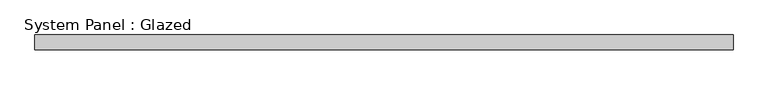
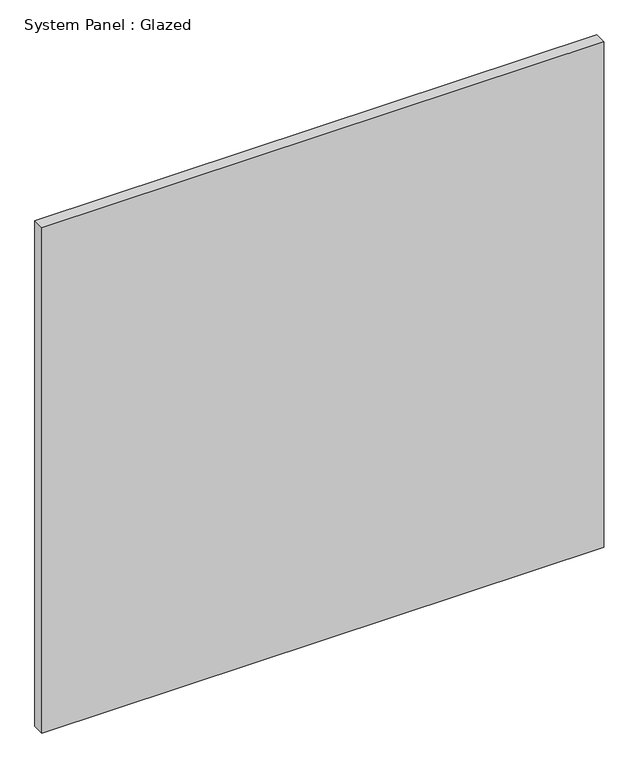
"""IFC4 building model written with IfcOpenShell, lengths in millimetres: plate geometry, System Panel : Glazed."""

from ifc_helpers import new_model, si_unit, origin, origin_with_axes, place, context, project, spatial, polyline, outline, extrude, source, transform, mapped, element, save


def system_panel_glazed_1d438be6(model_context):
    return source(origin(), model_context, "Body", "SweptSolid", [
        extrude(outline(polyline([(601.1333333, -12.7), (-601.1333333, -12.7), (-601.1333333, 12.7), (601.1333333, 12.7), (601.1333333, -12.7)])), origin_with_axes(), (0.0, 0.0, 1.0), 1143.0),
    ])


if __name__ == "__main__":
    model = new_model("IFC4")
    model_context = context("Model", 3, world=origin())
    ifc_project = project(units=[si_unit("LENGTHUNIT", "METRE", prefix="MILLI")], contexts=[model_context])
    site = spatial("IfcSite", under=ifc_project)
    building = spatial("IfcBuilding", under=site)
    placement = place(None, origin())
    system_panel_glazed_shape = system_panel_glazed_1d438be6(model_context)
    element("IfcPlate", 1, ObjectType="System Panel : Glazed", at=placement, inside=building, context=model_context, shape_type="MappedRepresentation", body=[
        mapped(system_panel_glazed_shape, transform((0.0, 0.0, 0.0), x_axis=(1.0, 0.0, 0.0), y_axis=(0.0, 1.0, 0.0), z_axis=(0.0, 0.0, 1.0))),
    ])
    save(model, "model.ifc")
